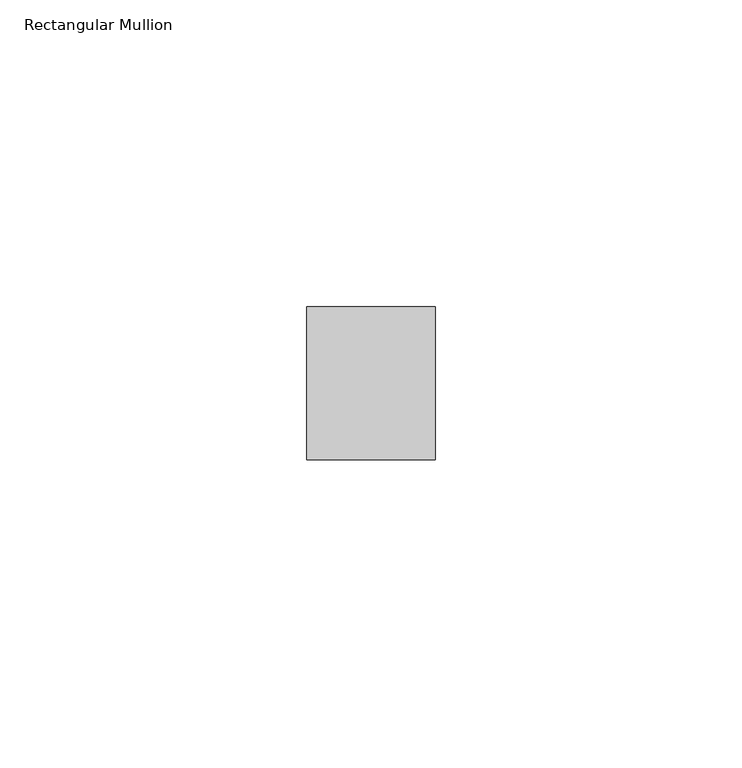
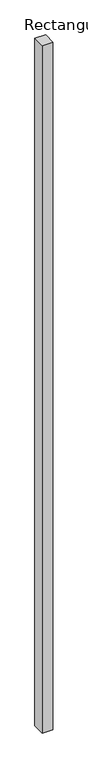
"""IFC4 building model written with IfcOpenShell, lengths in millimetres: member geometry, Rectangular Mullion."""

from ifc_helpers import new_model, si_unit, frame, origin, place, context, project, spatial, polyline, outline, extrude, source, transform, mapped, element, save


def rectangular_mullion_8ca4e523(model_context):
    return source(origin(), model_context, "Body", "SweptSolid", [
        extrude(outline(polyline([(0.0, 44.5), (0.0, 19.5), (-21.0, 19.5), (-21.0, 44.5), (0.0, 44.5)])), frame((0.0, 0.0, -1425.0000002), z_axis=(0.0, 0.0, 1.0), x_axis=(1.0, 0.0, 0.0)), (0.0, 0.0, 1.0), 1425.0000002),
    ])


if __name__ == "__main__":
    model = new_model("IFC4")
    model_context = context("Model", 3, world=origin())
    ifc_project = project(units=[si_unit("LENGTHUNIT", "METRE", prefix="MILLI")], contexts=[model_context])
    site = spatial("IfcSite", under=ifc_project)
    building = spatial("IfcBuilding", under=site)
    placement = place(None, origin())
    rectangular_mullion_shape = rectangular_mullion_8ca4e523(model_context)
    element("IfcMember", 1, ObjectType="Rectangular Mullion", at=placement, inside=building, context=model_context, shape_type="MappedRepresentation", body=[
        mapped(rectangular_mullion_shape, transform((0.0, 0.0, 0.0), x_axis=(1.0, 0.0, 0.0), y_axis=(0.0, 1.0, 0.0), z_axis=(0.0, 0.0, 1.0))),
    ])
    save(model, "model.ifc")
